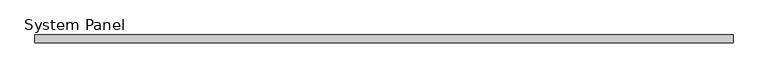
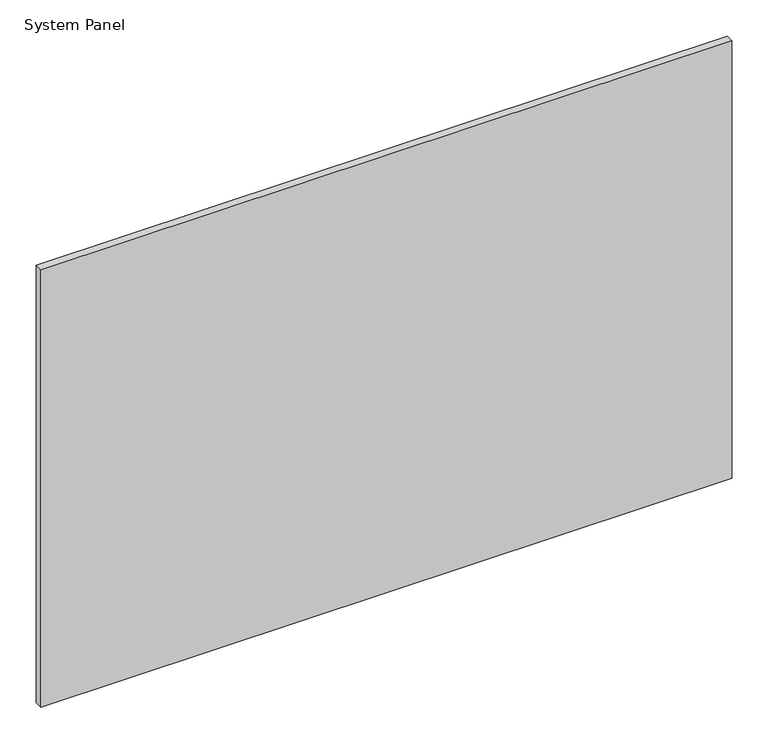
"""IFC4 building model written with IfcOpenShell, lengths in millimetres: plate geometry, System Panel."""

from ifc_helpers import new_model, si_unit, origin, origin_with_axes, place, context, project, spatial, polyline, outline, extrude, source, transform, mapped, element, save


def system_panel_78f4bf55(model_context):
    return source(origin(), model_context, "Body", "SweptSolid", [
        extrude(outline(polyline([(548.249375, -6.0), (-548.249375, -6.0), (-548.249375, 6.0), (548.249375, 6.0), (548.249375, -6.0)])), origin_with_axes(), (0.0, 0.0, 1.0), 734.5590798),
    ])


if __name__ == "__main__":
    model = new_model("IFC4")
    model_context = context("Model", 3, world=origin())
    ifc_project = project(units=[si_unit("LENGTHUNIT", "METRE", prefix="MILLI")], contexts=[model_context])
    site = spatial("IfcSite", under=ifc_project)
    building = spatial("IfcBuilding", under=site)
    placement = place(None, origin())
    system_panel_shape = system_panel_78f4bf55(model_context)
    element("IfcPlate", 1, ObjectType="System Panel", at=placement, inside=building, context=model_context, shape_type="MappedRepresentation", body=[
        mapped(system_panel_shape, transform((0.0, 0.0, 0.0), x_axis=(1.0, 0.0, 0.0), y_axis=(0.0, 1.0, 0.0), z_axis=(0.0, 0.0, 1.0))),
    ])
    save(model, "model.ifc")
